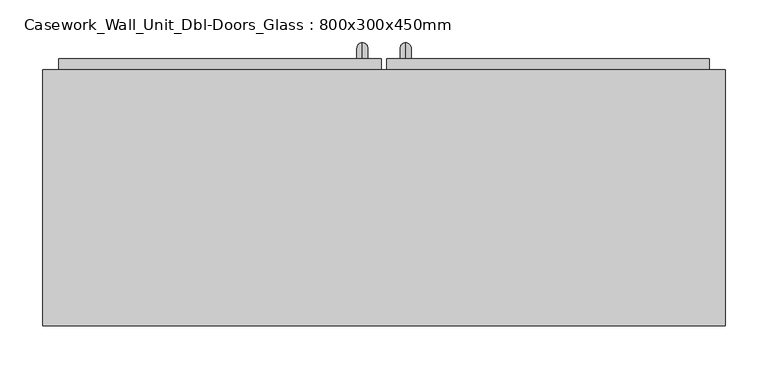
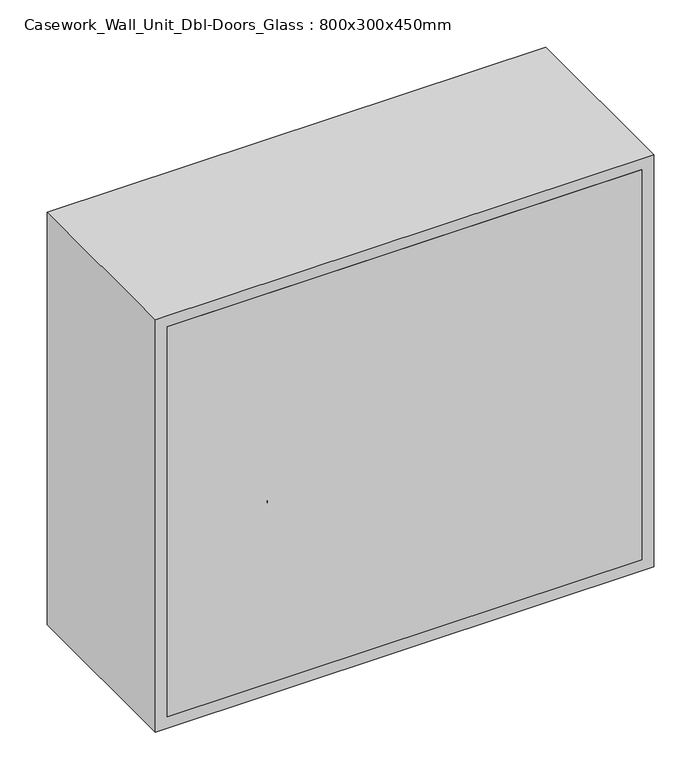
"""IFC4 building model written with IfcOpenShell, lengths in millimetres: furniture geometry, Casework_Wall_Unit_Dbl-Doors_Glass : 800x300x450mm."""

from ifc_helpers import new_model, si_unit, point, frame, origin, place, context, project, spatial, polyline, circle_curve, ellipse_curve, trimmed, outline, extrude, source, transform, mapped, element, save
from ifc_brep_helpers import plane_surface, cylinder_surface, revolved_surface, advanced_brep


def casework_wall_unit_dbl_doors_glass_800x300x450mm_685c24f4(model_context):
    return source(origin(), model_context, "Body", "SolidModel", [
        extrude(outline(polyline([(-319.4288372, 393.65), (378.9711628, 393.65), (378.9711628, 387.3), (-319.4288372, 387.3), (-319.4288372, 393.65)])), frame((0.0, 0.0, 1350.8), z_axis=(0.0, 0.0, 1.0), x_axis=(1.0, 0.0, 0.0)), (0.0, 0.0, 1.0), 598.4),
        extrude(outline(polyline([(1980.95, 32.9461628), (1319.05, 32.9461628), (1319.05, 410.7211628), (1980.95, 410.7211628), (1980.95, 32.9461628)]), holes=[polyline([(1350.8, 64.6961628), (1949.2, 64.6961628), (1949.2, 378.9711628), (1350.8, 378.9711628), (1350.8, 64.6961628)])]), frame((0.0, 380.95, 0.0), z_axis=(0.0, 1.0, 0.0), x_axis=(0.0, 0.0, 1.0)), (0.0, 0.0, 1.0), 31.75),
        extrude(outline(polyline([(1319.05, -351.1788372), (1319.05, 26.5961628), (1980.95, 26.5961628), (1980.95, -351.1788372), (1319.05, -351.1788372)]), holes=[polyline([(1949.2, -5.1538372), (1350.8, -5.1538372), (1350.8, -319.4288372), (1949.2, -319.4288372), (1949.2, -5.1538372)])]), frame((0.0, 380.95, 0.0), z_axis=(0.0, 1.0, 0.0), x_axis=(0.0, 0.0, 1.0)), (0.0, 0.0, 1.0), 31.75),
        extrude(outline(polyline([(410.7211628, 100.0), (-351.1788372, 100.0), (-351.1788372, 119.05), (410.7211628, 119.05), (410.7211628, 100.0)])), frame((0.0, 0.0, 1319.05), z_axis=(0.0, 0.0, 1.0), x_axis=(1.0, 0.0, 0.0)), (0.0, 0.0, 1.0), 661.9),
        extrude(outline(polyline([(2000.0, -370.2288372), (1300.0, -370.2288372), (1300.0, 429.7711628), (2000.0, 429.7711628), (2000.0, -370.2288372)]), holes=[polyline([(1980.95, -351.1788372), (1980.95, 410.7211628), (1319.05, 410.7211628), (1319.05, -351.1788372), (1980.95, -351.1788372)])]), frame((0.0, 100.0, 0.0), z_axis=(0.0, 1.0, 0.0), x_axis=(0.0, 0.0, 1.0)), (0.0, 0.0, 1.0), 300.0),
        advanced_brep(
        [(55.1711628, 400.0, 1446.05), (55.1711628, 400.0, 1458.75), (55.1711628, 412.7, 1446.05), (55.1711628, 412.7, 1458.75), (55.1711628, 431.75, 1439.7), (55.1711628, 419.05, 1439.7), (55.1711628, 419.05, 1363.5), (55.1711628, 431.75, 1363.5), (55.1711628, 412.7, 1344.45), (55.1711628, 412.7, 1357.15), (55.1711628, 400.0, 1357.15), (55.1711628, 400.0, 1344.45)],
        [
            (0, 1, circle_curve(frame((55.1711628, 400.0, 1452.4), z_axis=(0.0, -1.0, 0.0), x_axis=(0.0, 0.0, -1.0)), 6.35)),
            (1, 0, circle_curve(frame((55.1711628, 400.0, 1452.4), z_axis=(0.0, -1.0, 0.0), x_axis=(0.0, 0.0, -1.0)), 6.35)),
            (0, 2),
            (2, 3, circle_curve(frame((55.1711628, 412.7, 1452.4), z_axis=(0.0, -1.0, 0.0), x_axis=(0.0, 0.0, -1.0)), 6.35)),
            (3, 1),
            (3, 2, circle_curve(frame((55.1711628, 412.7, 1452.4), z_axis=(0.0, -1.0, 0.0), x_axis=(0.0, 0.0, -1.0)), 6.35)),
            (4, 3, circle_curve(frame((55.1711628, 412.7, 1439.7), z_axis=(1.0, 0.0, 0.0), x_axis=(0.0, 0.0, 1.0)), 19.05)),
            (2, 5, circle_curve(frame((55.1711628, 412.7, 1439.7), z_axis=(-1.0, 0.0, 0.0), x_axis=(0.0, 0.0, 1.0)), 6.35)),
            (5, 4, circle_curve(frame((55.1711628, 425.4, 1439.7), z_axis=(0.0, 0.0, 1.0), x_axis=(0.0, -1.0, 0.0)), 6.35)),
            (4, 5, circle_curve(frame((55.1711628, 425.4, 1439.7), z_axis=(0.0, 0.0, 1.0), x_axis=(0.0, -1.0, 0.0)), 6.35)),
            (5, 6),
            (6, 7, circle_curve(frame((55.1711628, 425.4, 1363.5), z_axis=(0.0, 0.0, 1.0), x_axis=(0.0, -1.0, 0.0)), 6.35)),
            (7, 4),
            (7, 6, circle_curve(frame((55.1711628, 425.4, 1363.5), z_axis=(0.0, 0.0, 1.0), x_axis=(0.0, -1.0, 0.0)), 6.35)),
            (8, 7, circle_curve(frame((55.1711628, 412.7, 1363.5), z_axis=(1.0, 0.0, 0.0), x_axis=(0.0, 1.0, 0.0)), 19.05)),
            (6, 9, circle_curve(frame((55.1711628, 412.7, 1363.5), z_axis=(-1.0, 0.0, 0.0), x_axis=(0.0, 1.0, 0.0)), 6.35)),
            (9, 8, circle_curve(frame((55.1711628, 412.7, 1350.8), z_axis=(0.0, 1.0, 0.0), x_axis=(0.0, 0.0, 1.0)), 6.35)),
            (8, 9, circle_curve(frame((55.1711628, 412.7, 1350.8), z_axis=(0.0, 1.0, 0.0), x_axis=(0.0, 0.0, 1.0)), 6.35)),
            (10, 11, circle_curve(frame((55.1711628, 400.0, 1350.8), z_axis=(0.0, -1.0, 0.0), x_axis=(0.0, 0.0, 1.0)), 6.35)),
            (11, 10, circle_curve(frame((55.1711628, 400.0, 1350.8), z_axis=(0.0, -1.0, 0.0), x_axis=(0.0, 0.0, 1.0)), 6.35)),
            (9, 10),
            (11, 8),
        ],
        [
            plane_surface(frame((48.8211628, 400.0, 1452.4), z_axis=(0.0, -1.0, 0.0), x_axis=(0.0, 0.0, 1.0))),
            cylinder_surface(frame((55.1711628, 400.0, 1452.4), z_axis=(0.0, -1.0, 0.0), x_axis=(0.0, 0.0, -1.0)), 6.35),
            revolved_surface(trimmed(ellipse_curve(frame((55.1711628, 412.7, 1452.4), z_axis=(0.0, -1.0, 0.0), x_axis=(0.0, 0.0, -1.0)), 6.35, 6.35), [point((55.1711628, 412.7, 1446.05))], [point((55.1711628, 412.7, 1458.75))], True, "CARTESIAN"), (55.1711628, 412.7, 1439.7), (-1.0, 0.0, 0.0)),
            revolved_surface(trimmed(ellipse_curve(frame((55.1711628, 412.7, 1452.4), z_axis=(0.0, -1.0, 0.0), x_axis=(0.0, 0.0, -1.0)), 6.35, 6.35), [point((55.1711628, 412.7, 1458.75))], [point((55.1711628, 412.7, 1446.05))], True, "CARTESIAN"), (55.1711628, 412.7, 1439.7), (-1.0, 0.0, 0.0)),
            cylinder_surface(frame((55.1711628, 425.4, 1439.7), z_axis=(0.0, 0.0, 1.0), x_axis=(0.0, -1.0, 0.0)), 6.35),
            revolved_surface(trimmed(ellipse_curve(frame((55.1711628, 425.4, 1363.5), z_axis=(0.0, 0.0, 1.0), x_axis=(0.0, -1.0, 0.0)), 6.35, 6.35), [point((55.1711628, 419.05, 1363.5))], [point((55.1711628, 431.75, 1363.5))], True, "CARTESIAN"), (55.1711628, 412.7, 1363.5), (-1.0, 0.0, 0.0)),
            revolved_surface(trimmed(ellipse_curve(frame((55.1711628, 425.4, 1363.5), z_axis=(0.0, 0.0, 1.0), x_axis=(0.0, -1.0, 0.0)), 6.35, 6.35), [point((55.1711628, 431.75, 1363.5))], [point((55.1711628, 419.05, 1363.5))], True, "CARTESIAN"), (55.1711628, 412.7, 1363.5), (-1.0, 0.0, 0.0)),
            plane_surface(frame((48.8211628, 400.0, 1350.8), z_axis=(0.0, -1.0, 0.0), x_axis=(0.0, 0.0, -1.0))),
            cylinder_surface(frame((55.1711628, 412.7, 1350.8), z_axis=(0.0, 1.0, 0.0), x_axis=(0.0, 0.0, 1.0)), 6.35),
        ],
        [
            (0, [[1, 2]]),
            (1, [[-1, 3, 4, 5]]),
            (1, [[-2, -5, 6, -3]]),
            (2, [[7, -4, 8, 9]]),
            (3, [[-8, -6, -7, 10]]),
            (4, [[-9, 11, 12, 13]]),
            (4, [[-10, -13, 14, -11]]),
            (5, [[15, -12, 16, 17]]),
            (6, [[-16, -14, -15, 18]]),
            (7, [[19, 20]]),
            (8, [[-17, 21, -20, 22]]),
            (8, [[-18, -22, -19, -21]]),
        ],
    ),
        advanced_brep(
        [(4.3711628, 400.0, 1446.05), (4.3711628, 400.0, 1458.75), (4.3711628, 412.7, 1446.05), (4.3711628, 412.7, 1458.75), (4.3711628, 431.75, 1439.7), (4.3711628, 419.05, 1439.7), (4.3711628, 419.05, 1363.5), (4.3711628, 431.75, 1363.5), (4.3711628, 412.7, 1344.45), (4.3711628, 412.7, 1357.15), (4.3711628, 400.0, 1357.15), (4.3711628, 400.0, 1344.45)],
        [
            (0, 1, circle_curve(frame((4.3711628, 400.0, 1452.4), z_axis=(0.0, -1.0, 0.0), x_axis=(0.0, 0.0, 1.0)), 6.35)),
            (1, 0, circle_curve(frame((4.3711628, 400.0, 1452.4), z_axis=(0.0, -1.0, 0.0), x_axis=(0.0, 0.0, 1.0)), 6.35)),
            (0, 2),
            (2, 3, circle_curve(frame((4.3711628, 412.7, 1452.4), z_axis=(0.0, -1.0, 0.0), x_axis=(0.0, 0.0, 1.0)), 6.35)),
            (3, 1),
            (3, 2, circle_curve(frame((4.3711628, 412.7, 1452.4), z_axis=(0.0, -1.0, 0.0), x_axis=(0.0, 0.0, 1.0)), 6.35)),
            (4, 3, circle_curve(frame((4.3711628, 412.7, 1439.7), z_axis=(1.0, 0.0, 0.0), x_axis=(0.0, 0.0, 1.0)), 19.05)),
            (2, 5, circle_curve(frame((4.3711628, 412.7, 1439.7), z_axis=(-1.0, 0.0, 0.0), x_axis=(0.0, 0.0, 1.0)), 6.35)),
            (5, 4, circle_curve(frame((4.3711628, 425.4, 1439.7), z_axis=(0.0, 0.0, 1.0), x_axis=(0.0, 1.0, 0.0)), 6.35)),
            (4, 5, circle_curve(frame((4.3711628, 425.4, 1439.7), z_axis=(0.0, 0.0, 1.0), x_axis=(0.0, 1.0, 0.0)), 6.35)),
            (5, 6),
            (6, 7, circle_curve(frame((4.3711628, 425.4, 1363.5), z_axis=(0.0, 0.0, 1.0), x_axis=(0.0, 1.0, 0.0)), 6.35)),
            (7, 4),
            (7, 6, circle_curve(frame((4.3711628, 425.4, 1363.5), z_axis=(0.0, 0.0, 1.0), x_axis=(0.0, 1.0, 0.0)), 6.35)),
            (8, 7, circle_curve(frame((4.3711628, 412.7, 1363.5), z_axis=(1.0, 0.0, 0.0), x_axis=(0.0, 1.0, 0.0)), 19.05)),
            (6, 9, circle_curve(frame((4.3711628, 412.7, 1363.5), z_axis=(-1.0, 0.0, 0.0), x_axis=(0.0, 1.0, 0.0)), 6.35)),
            (9, 8, circle_curve(frame((4.3711628, 412.7, 1350.8), z_axis=(0.0, 1.0, 0.0), x_axis=(0.0, 0.0, -1.0)), 6.35)),
            (8, 9, circle_curve(frame((4.3711628, 412.7, 1350.8), z_axis=(0.0, 1.0, 0.0), x_axis=(0.0, 0.0, -1.0)), 6.35)),
            (10, 11, circle_curve(frame((4.3711628, 400.0, 1350.8), z_axis=(0.0, -1.0, 0.0), x_axis=(0.0, 0.0, -1.0)), 6.35)),
            (11, 10, circle_curve(frame((4.3711628, 400.0, 1350.8), z_axis=(0.0, -1.0, 0.0), x_axis=(0.0, 0.0, -1.0)), 6.35)),
            (9, 10),
            (11, 8),
        ],
        [
            plane_surface(frame((-1.9788372, 400.0, 1452.4), z_axis=(0.0, -1.0, 0.0), x_axis=(0.0, 0.0, 1.0))),
            cylinder_surface(frame((4.3711628, 400.0, 1452.4), z_axis=(0.0, -1.0, 0.0), x_axis=(0.0, 0.0, 1.0)), 6.35),
            revolved_surface(trimmed(ellipse_curve(frame((4.3711628, 412.7, 1452.4), z_axis=(0.0, -1.0, 0.0), x_axis=(0.0, 0.0, 1.0)), 6.35, 6.35), [point((4.3711628, 412.7, 1446.05))], [point((4.3711628, 412.7, 1458.75))], True, "CARTESIAN"), (4.3711628, 412.7, 1439.7), (-1.0, 0.0, 0.0)),
            revolved_surface(trimmed(ellipse_curve(frame((4.3711628, 412.7, 1452.4), z_axis=(0.0, -1.0, 0.0), x_axis=(0.0, 0.0, 1.0)), 6.35, 6.35), [point((4.3711628, 412.7, 1458.75))], [point((4.3711628, 412.7, 1446.05))], True, "CARTESIAN"), (4.3711628, 412.7, 1439.7), (-1.0, 0.0, 0.0)),
            cylinder_surface(frame((4.3711628, 425.4, 1439.7), z_axis=(0.0, 0.0, 1.0), x_axis=(0.0, 1.0, 0.0)), 6.35),
            revolved_surface(trimmed(ellipse_curve(frame((4.3711628, 425.4, 1363.5), z_axis=(0.0, 0.0, 1.0), x_axis=(0.0, 1.0, 0.0)), 6.35, 6.35), [point((4.3711628, 419.05, 1363.5))], [point((4.3711628, 431.75, 1363.5))], True, "CARTESIAN"), (4.3711628, 412.7, 1363.5), (-1.0, 0.0, 0.0)),
            revolved_surface(trimmed(ellipse_curve(frame((4.3711628, 425.4, 1363.5), z_axis=(0.0, 0.0, 1.0), x_axis=(0.0, 1.0, 0.0)), 6.35, 6.35), [point((4.3711628, 431.75, 1363.5))], [point((4.3711628, 419.05, 1363.5))], True, "CARTESIAN"), (4.3711628, 412.7, 1363.5), (-1.0, 0.0, 0.0)),
            plane_surface(frame((-1.9788372, 400.0, 1350.8), z_axis=(0.0, -1.0, 0.0), x_axis=(0.0, 0.0, -1.0))),
            cylinder_surface(frame((4.3711628, 412.7, 1350.8), z_axis=(0.0, 1.0, 0.0), x_axis=(0.0, 0.0, -1.0)), 6.35),
        ],
        [
            (0, [[1, 2]]),
            (1, [[-1, 3, 4, 5]]),
            (1, [[-2, -5, 6, -3]]),
            (2, [[7, -4, 8, 9]]),
            (3, [[-8, -6, -7, 10]]),
            (4, [[-9, 11, 12, 13]]),
            (4, [[-10, -13, 14, -11]]),
            (5, [[15, -12, 16, 17]]),
            (6, [[-16, -14, -15, 18]]),
            (7, [[19, 20]]),
            (8, [[-17, 21, -20, 22]]),
            (8, [[-18, -22, -19, -21]]),
        ],
    ),
    ])


if __name__ == "__main__":
    model = new_model("IFC4")
    model_context = context("Model", 3, world=origin())
    ifc_project = project(units=[si_unit("LENGTHUNIT", "METRE", prefix="MILLI")], contexts=[model_context])
    site = spatial("IfcSite", under=ifc_project)
    building = spatial("IfcBuilding", under=site)
    placement = place(None, origin())
    casework_wall_unit_dbl_doors_glass_800x300x450mm_shape = casework_wall_unit_dbl_doors_glass_800x300x450mm_685c24f4(model_context)
    element("IfcFurniture", 1, ObjectType="Casework_Wall_Unit_Dbl-Doors_Glass : 800x300x450mm", at=placement, inside=building, context=model_context, shape_type="MappedRepresentation", body=[
        mapped(casework_wall_unit_dbl_doors_glass_800x300x450mm_shape, transform((0.0, 0.0, 0.0), x_axis=(1.0, 0.0, 0.0), y_axis=(0.0, 1.0, 0.0), z_axis=(0.0, 0.0, 1.0))),
    ])
    save(model, "model.ifc")
